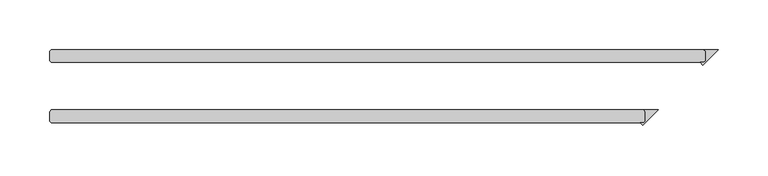
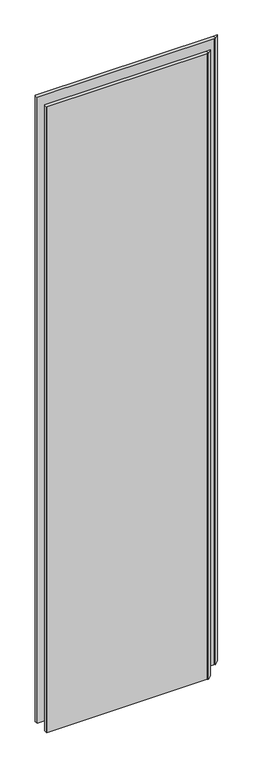
"""IFC4 building model written with IfcOpenShell, lengths in millimetres: plate geometry."""

import ifcopenshell
import ifcopenshell.guid

model = None  # the IFC model being written
_history = None  # IfcOwnerHistory: only IFC2X3 demands one
_inside = {}  # id of a spatial element -> (the spatial element, [elements in it])
_under = {}  # id of a project, library or spatial element -> (it, [spatial elements below it])
_declared = {}  # id of a project -> (the project, [libraries it declares])
_typed = {}  # id of a type object -> (the type object, [elements of that type])
_made_of = {}  # id of a material, layer set ... -> (it, [elements and type objects made of it])


def new_model(schema):
    """Start an empty IFC model of exactly this schema.

    Asked for "IFC4X3", IfcOpenShell would pick the latest addendum, in which some entities
    have other attributes; the version numbers below select the first issue.
    IFC2X3 requires an IfcOwnerHistory on every rooted entity: one is made here for all.
    """
    global model, _history
    if schema == "IFC4X3":
        model = ifcopenshell.file(schema_version=(4, 3, 0, 0))
    else:
        model = ifcopenshell.file(schema=schema)
    _inside.clear()
    _under.clear()
    _declared.clear()
    _typed.clear()
    _made_of.clear()
    _history = None
    if model.schema == "IFC2X3":
        org = make("IfcOrganization", Name="unknown")
        user = make(
            "IfcPersonAndOrganization",
            ThePerson=make("IfcPerson", FamilyName="unknown"),
            TheOrganization=org,
        )
        app = make(
            "IfcApplication",
            ApplicationDeveloper=org,
            Version="unknown",
            ApplicationFullName="unknown",
            ApplicationIdentifier="unknown",
        )
        _history = make(
            "IfcOwnerHistory",
            OwningUser=user,
            OwningApplication=app,
            ChangeAction="ADDED",
            CreationDate=0,
        )
    return model


def make(cls, **values):
    """One entity of the class cls with the attributes given. An attribute that is None is left unset."""
    return model.create_entity(
        cls, **{name: value for name, value in values.items() if value is not None}
    )


def rooted(cls, **values):
    """An entity with a GlobalId (a new one), such as an element, a storey or a relation."""
    return make(cls, GlobalId=ifcopenshell.guid.new(), OwnerHistory=_history, **values)


def si_unit(unit_type, name, prefix=None):
    """IfcSIUnit, for example si_unit("LENGTHUNIT", "METRE", prefix="MILLI")."""
    return make("IfcSIUnit", UnitType=unit_type, Prefix=prefix, Name=name)


def assignment(units):
    """IfcUnitAssignment: the units of a project."""
    return None if units is None else make("IfcUnitAssignment", Units=units)


def point(xyz):
    """IfcCartesianPoint."""
    return None if xyz is None else make("IfcCartesianPoint", Coordinates=xyz)


def direction(xyz):
    """IfcDirection."""
    return None if xyz is None else make("IfcDirection", DirectionRatios=xyz)


def frame(location, z_axis=None, x_axis=None):
    """IfcAxis2Placement3D, a coordinate frame: its origin and axes. An axis left out is left unset."""
    return make(
        "IfcAxis2Placement3D",
        Location=point(location),
        Axis=direction(z_axis),
        RefDirection=direction(x_axis),
    )


def origin():
    """The frame at (0, 0, 0) with its axes left unset."""
    return frame((0.0, 0.0, 0.0))


def origin_with_axes():
    """The frame at (0, 0, 0) with the z axis (0, 0, 1) and the x axis (1, 0, 0) written out."""
    return frame((0.0, 0.0, 0.0), z_axis=(0.0, 0.0, 1.0), x_axis=(1.0, 0.0, 0.0))


def place(relative_to, where):
    """IfcLocalPlacement: puts the frame where relative to a parent placement (None: the world)."""
    return make(
        "IfcLocalPlacement", PlacementRelTo=relative_to, RelativePlacement=where
    )


def context(
    kind, dimensions, precision=None, world=None, true_north=None, identifier=None
):
    """IfcGeometricRepresentationContext, for example the 3D "Model" context."""
    return make(
        "IfcGeometricRepresentationContext",
        ContextIdentifier=identifier,
        ContextType=kind,
        CoordinateSpaceDimension=dimensions,
        Precision=precision,
        WorldCoordinateSystem=world,
        TrueNorth=true_north,
    )


def project(units=None, contexts=None):
    """IfcProject with its units and contexts."""
    return rooted(
        "IfcProject",
        Name="project",
        RepresentationContexts=contexts,
        UnitsInContext=assignment(units),
    )


def spatial(cls, under=None, at=None, **own):
    """A site, building, storey or space (cls), placed at a placement, below another one or the project."""
    s = rooted(cls, ObjectPlacement=at, **own)
    if under is not None:
        _under.setdefault(under.id(), (under, []))[1].append(s)
    return s


def polyline(points):
    """IfcPolyline through the points."""
    return make("IfcPolyline", Points=[point(p) for p in points])


def outline(outer, holes=None, kind="AREA"):
    """IfcArbitraryClosedProfileDef: a profile drawn as a closed curve; with holes, ...WithVoids."""
    if holes is None:
        return make("IfcArbitraryClosedProfileDef", ProfileType=kind, OuterCurve=outer)
    return make(
        "IfcArbitraryProfileDefWithVoids",
        ProfileType=kind,
        OuterCurve=outer,
        InnerCurves=holes,
    )


def extrude(swept, where, along, depth):
    """IfcExtrudedAreaSolid: the profile swept, set in the frame where, extruded along a direction by depth."""
    return make(
        "IfcExtrudedAreaSolid",
        SweptArea=swept,
        Position=where,
        ExtrudedDirection=direction(along),
        Depth=depth,
    )


def shape(context_of_items, identifier, shape_type, items):
    """IfcShapeRepresentation: the items that make up one representation, for example the "Body"."""
    return make(
        "IfcShapeRepresentation",
        ContextOfItems=context_of_items,
        RepresentationIdentifier=identifier,
        RepresentationType=shape_type,
        Items=items,
    )


def source(mapping_origin, context_of_items, identifier, shape_type, items):
    """IfcRepresentationMap: a shape defined once, which mapped items show again and again."""
    return make(
        "IfcRepresentationMap",
        MappingOrigin=mapping_origin,
        MappedRepresentation=shape(context_of_items, identifier, shape_type, items),
    )


def transform(
    local_origin,
    x_axis=None,
    y_axis=None,
    z_axis=None,
    scale=None,
    scale2=None,
    scale3=None,
    uniform=True,
):
    """IfcCartesianTransformationOperator3D, or its non-uniform kind. x_axis, y_axis, z_axis: its Axis1, 2, 3."""
    if uniform:
        return make(
            "IfcCartesianTransformationOperator3D",
            Axis1=direction(x_axis),
            Axis2=direction(y_axis),
            LocalOrigin=point(local_origin),
            Scale=scale,
            Axis3=direction(z_axis),
        )
    return make(
        "IfcCartesianTransformationOperator3DnonUniform",
        Axis1=direction(x_axis),
        Axis2=direction(y_axis),
        LocalOrigin=point(local_origin),
        Scale=scale,
        Axis3=direction(z_axis),
        Scale2=scale2,
        Scale3=scale3,
    )


def mapped(mapping_source, mapping_target):
    """IfcMappedItem: shows the shape of a source again, moved by a transform."""
    return make(
        "IfcMappedItem", MappingSource=mapping_source, MappingTarget=mapping_target
    )


def made_of(thing, what):
    """Note that an element or type object is made of a material, layer set ...; save() writes the relation."""
    if what is not None:
        _made_of.setdefault(what.id(), (what, []))[1].append(thing)
    return thing


def element(
    cls,
    number,
    at=None,
    inside=None,
    cuts=None,
    type_object=None,
    material=None,
    context=None,
    identifier="Body",
    shape_type=None,
    held_by="IfcProductDefinitionShape",
    body=None,
    shapes=None,
    **own,
):
    """One element of the class cls, such as IfcWall. Its Tag is "e" and its number.

    at: its placement. inside: the storey or other place that contains it. cuts: it is an
    opening in that element (IfcRelVoidsElement). A single representation is given by context,
    identifier, shape_type and body (its items); several are given by shapes. held_by: the class
    of the entity that holds the representations. save() writes the other relations.
    """
    e = rooted(cls, Tag="e%d" % number, ObjectPlacement=at, **own)
    if body is not None:
        shapes = [shape(context, identifier, shape_type, body)]
    if shapes is not None:
        e.Representation = make(held_by, Representations=shapes)
    if inside is not None:
        _inside.setdefault(inside.id(), (inside, []))[1].append(e)
    if cuts is not None:
        rooted(
            "IfcRelVoidsElement", RelatingBuildingElement=cuts, RelatedOpeningElement=e
        )
    if type_object is not None:
        _typed.setdefault(type_object.id(), (type_object, []))[1].append(e)
    return made_of(e, material)


def aggregate(whole, parts):
    """IfcRelAggregates: a whole, such as a stair, and the parts it consists of."""
    return rooted("IfcRelAggregates", RelatingObject=whole, RelatedObjects=parts)


def save(model, path):
    """Write the relations noted so far, then the file.

    IfcRelAggregates (storeys below a building ...), IfcRelContainedInSpatialStructure (elements
    in a storey), IfcRelDefinesByType, IfcRelAssociatesMaterial and IfcRelDeclares: one each for
    every whole, place, type object, material and project.
    """
    for whole, parts in _under.values():
        aggregate(whole, parts)
    for where, things in _inside.values():
        rooted(
            "IfcRelContainedInSpatialStructure",
            RelatedElements=things,
            RelatingStructure=where,
        )
    for kind, things in _typed.values():
        rooted("IfcRelDefinesByType", RelatedObjects=things, RelatingType=kind)
    for what, things in _made_of.values():
        rooted("IfcRelAssociatesMaterial", RelatedObjects=things, RelatingMaterial=what)
    for by, libraries in _declared.values():
        rooted("IfcRelDeclares", RelatingContext=by, RelatedDefinitions=libraries)
    model.write(path)


def plate_fb6131c0(model_context):
    return source(origin(), model_context, "Body", "SweptSolid", [
        extrude(outline(polyline([(280.590625, -25.4), (279.003125, -23.8125), (293.290625, -23.8125), (277.880593, -39.222532), (275.170561, -36.5125), (279.003125, -36.5125), (280.590625, -34.925), (280.590625, -25.4)])), origin_with_axes(), (0.0, 0.0, 1.0), 2428.7789267),
        extrude(outline(polyline([(340.915625, 34.925), (339.328125, 36.5125), (353.615625, 36.5125), (338.205593, 21.102468), (335.495561, 23.8125), (339.328125, 23.8125), (340.915625, 25.4), (340.915625, 34.925)])), origin_with_axes(), (0.0, 0.0, 1.0), 2428.7789267),
        extrude(outline(polyline([(279.003125, -23.8125), (280.590625, -25.4), (280.590625, -34.925), (279.003125, -36.5125), (-315.515625, -36.5125), (-317.103125, -34.925), (-317.103125, -25.4), (-315.515625, -23.8125), (279.003125, -23.8125)])), origin_with_axes(), (0.0, 0.0, 1.0), 2428.7789267),
        extrude(outline(polyline([(339.328125, 36.5125), (340.915625, 34.925), (340.915625, 25.4), (339.328125, 23.8125), (-315.515625, 23.8125), (-317.103125, 25.4), (-317.103125, 34.925), (-315.515625, 36.5125), (339.328125, 36.5125)])), origin_with_axes(), (0.0, 0.0, 1.0), 2428.7789267),
    ])


if __name__ == "__main__":
    model = new_model("IFC4")
    model_context = context("Model", 3, world=origin())
    ifc_project = project(units=[si_unit("LENGTHUNIT", "METRE", prefix="MILLI")], contexts=[model_context])
    site = spatial("IfcSite", under=ifc_project)
    building = spatial("IfcBuilding", under=site)
    placement = place(None, origin())
    plate_shape = plate_fb6131c0(model_context)
    element("IfcPlate", 1, at=placement, inside=building, context=model_context, shape_type="MappedRepresentation", body=[
        mapped(plate_shape, transform((0.0, 0.0, 0.0), x_axis=(1.0, 0.0, 0.0), y_axis=(0.0, 1.0, 0.0), z_axis=(0.0, 0.0, 1.0))),
    ])
    save(model, "model.ifc")
